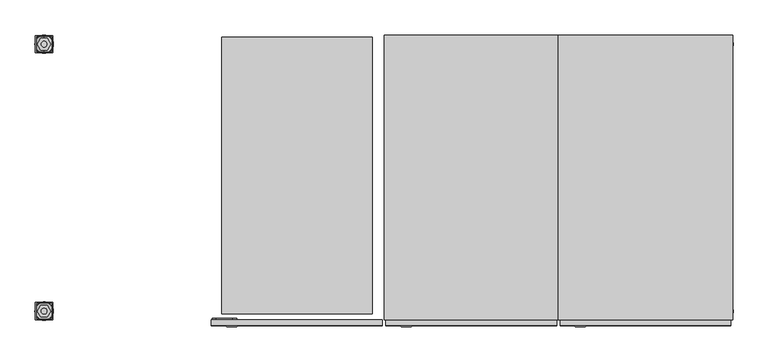
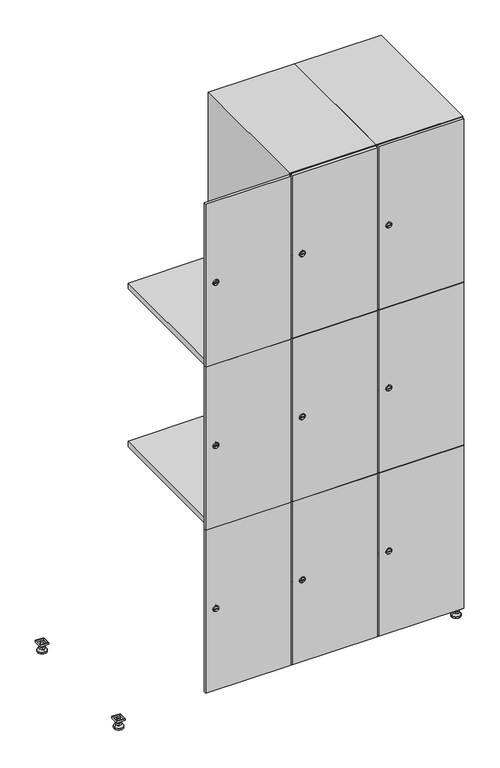
"""IFC4 building model written with IfcOpenShell, lengths in millimetres: furniture geometry."""

from ifc_helpers import new_model, si_unit, point, frame, frame_2d, origin, origin_with_axes, place, context, project, spatial, polyline, circle_curve, trimmed, segment, composite_curve, outline, extrude, faceted_brep, source, transform, mapped, element, save
from ifc_brep_helpers import plane_surface, revolved_surface, advanced_brep


def furniture_b025a3df(model_context):
    return source(origin(), model_context, "Body", "SolidModel", [
        extrude(outline(polyline([(1000.0, 245.0), (1000.0, 215.0), (970.0, 215.0), (970.0, 245.0), (1000.0, 245.0)]), holes=[polyline([(998.0, 243.0), (972.0, 243.0), (972.0, 217.0), (998.0, 217.0), (998.0, 243.0)])]), frame((0.0, 0.0, 28.5), z_axis=(0.0, 0.0, 1.0), x_axis=(1.0, 0.0, 0.0)), (0.0, 0.0, 1.0), 6.5),
        extrude(outline(polyline([(970.0, -245.0), (970.0, -215.0), (1000.0, -215.0), (1000.0, -245.0), (970.0, -245.0)]), holes=[polyline([(972.0, -243.0), (998.0, -243.0), (998.0, -217.0), (972.0, -217.0), (972.0, -243.0)])]), frame((0.0, 0.0, 28.5), z_axis=(0.0, 0.0, 1.0), x_axis=(1.0, 0.0, 0.0)), (0.0, 0.0, 1.0), 6.5),
        extrude(outline(polyline([(-170.0, 245.0), (-170.0, 215.0), (-200.0, 215.0), (-200.0, 245.0), (-170.0, 245.0)]), holes=[polyline([(-172.0, 243.0), (-198.0, 243.0), (-198.0, 217.0), (-172.0, 217.0), (-172.0, 243.0)])]), frame((0.0, 0.0, 28.5), z_axis=(0.0, 0.0, 1.0), x_axis=(1.0, 0.0, 0.0)), (0.0, 0.0, 1.0), 6.5),
        extrude(outline(polyline([(-170.0, -215.0), (-170.0, -245.0), (-200.0, -245.0), (-200.0, -215.0), (-170.0, -215.0)]), holes=[polyline([(-198.0, -243.0), (-172.0, -243.0), (-172.0, -217.0), (-198.0, -217.0), (-198.0, -243.0)])]), frame((0.0, 0.0, 28.5), z_axis=(0.0, 0.0, 1.0), x_axis=(1.0, 0.0, 0.0)), (0.0, 0.0, 1.0), 6.5),
        extrude(outline(composite_curve([segment(trimmed(circle_curve(frame_2d((-185.0, 230.0)), 5.0), [point((-180.0, 230.0))], [point((-190.0, 230.0))], False, "CARTESIAN"), True, "CONTINUOUS"), segment(trimmed(circle_curve(frame_2d((-185.0, 230.0)), 5.0), [point((-190.0, 230.0))], [point((-180.0, 230.0))], False, "CARTESIAN"), True, "CONTINUOUS")], self_intersect=False)), frame((0.0, 0.0, 19.6), z_axis=(0.0, 0.0, 1.0), x_axis=(1.0, 0.0, 0.0)), (0.0, 0.0, 1.0), 15.4),
        extrude(outline(composite_curve([segment(trimmed(circle_curve(frame_2d((-185.0, -230.0)), 5.0), [point((-180.0, -230.0))], [point((-190.0, -230.0))], False, "CARTESIAN"), True, "CONTINUOUS"), segment(trimmed(circle_curve(frame_2d((-185.0, -230.0)), 5.0), [point((-190.0, -230.0))], [point((-180.0, -230.0))], False, "CARTESIAN"), True, "CONTINUOUS")], self_intersect=False)), frame((0.0, 0.0, 19.6), z_axis=(0.0, 0.0, 1.0), x_axis=(1.0, 0.0, 0.0)), (0.0, 0.0, 1.0), 15.4),
        extrude(outline(composite_curve([segment(trimmed(circle_curve(frame_2d((985.0, 230.0)), 5.0), [point((990.0, 230.0))], [point((980.0, 230.0))], False, "CARTESIAN"), True, "CONTINUOUS"), segment(trimmed(circle_curve(frame_2d((985.0, 230.0)), 5.0), [point((980.0, 230.0))], [point((990.0, 230.0))], False, "CARTESIAN"), True, "CONTINUOUS")], self_intersect=False)), frame((0.0, 0.0, 19.6), z_axis=(0.0, 0.0, 1.0), x_axis=(1.0, 0.0, 0.0)), (0.0, 0.0, 1.0), 15.4),
        extrude(outline(polyline([(973.4529946, 230.0), (979.2264973, 240.0), (990.7735027, 240.0), (996.5470054, 230.0), (990.7735027, 220.0), (979.2264973, 220.0), (973.4529946, 230.0)])), frame((0.0, 0.0, 13.6), z_axis=(0.0, 0.0, 1.0), x_axis=(1.0, 0.0, 0.0)), (0.0, 0.0, 1.0), 6.0),
        extrude(outline(composite_curve([segment(trimmed(circle_curve(frame_2d((985.0, -230.0)), 5.0), [point((990.0, -230.0))], [point((980.0, -230.0))], False, "CARTESIAN"), True, "CONTINUOUS"), segment(trimmed(circle_curve(frame_2d((985.0, -230.0)), 5.0), [point((980.0, -230.0))], [point((990.0, -230.0))], False, "CARTESIAN"), True, "CONTINUOUS")], self_intersect=False)), frame((0.0, 0.0, 19.6), z_axis=(0.0, 0.0, 1.0), x_axis=(1.0, 0.0, 0.0)), (0.0, 0.0, 1.0), 15.4),
        extrude(outline(polyline([(973.4529946, -230.0), (979.2264973, -220.0), (990.7735027, -220.0), (996.5470054, -230.0), (990.7735027, -240.0), (979.2264973, -240.0), (973.4529946, -230.0)])), frame((0.0, 0.0, 13.6), z_axis=(0.0, 0.0, 1.0), x_axis=(1.0, 0.0, 0.0)), (0.0, 0.0, 1.0), 6.0),
        extrude(outline(composite_curve([segment(trimmed(circle_curve(frame_2d((985.0, 230.0)), 5.0), [point((990.0, 230.0))], [point((980.0, 230.0))], False, "CARTESIAN"), True, "CONTINUOUS"), segment(trimmed(circle_curve(frame_2d((985.0, 230.0)), 5.0), [point((980.0, 230.0))], [point((990.0, 230.0))], False, "CARTESIAN"), True, "CONTINUOUS")], self_intersect=False)), frame((0.0, 0.0, 12.1), z_axis=(0.0, 0.0, 1.0), x_axis=(1.0, 0.0, 0.0)), (0.0, 0.0, 1.0), 1.5),
        extrude(outline(composite_curve([segment(trimmed(circle_curve(frame_2d((985.0, -230.0)), 5.0), [point((990.0, -230.0))], [point((980.0, -230.0))], False, "CARTESIAN"), True, "CONTINUOUS"), segment(trimmed(circle_curve(frame_2d((985.0, -230.0)), 5.0), [point((980.0, -230.0))], [point((990.0, -230.0))], False, "CARTESIAN"), True, "CONTINUOUS")], self_intersect=False)), frame((0.0, 0.0, 12.1), z_axis=(0.0, 0.0, 1.0), x_axis=(1.0, 0.0, 0.0)), (0.0, 0.0, 1.0), 1.5),
        extrude(outline(polyline([(-196.5470054, 230.0), (-190.7735027, 240.0), (-179.2264973, 240.0), (-173.4529946, 230.0), (-179.2264973, 220.0), (-190.7735027, 220.0), (-196.5470054, 230.0)])), frame((0.0, 0.0, 13.6), z_axis=(0.0, 0.0, 1.0), x_axis=(1.0, 0.0, 0.0)), (0.0, 0.0, 1.0), 6.0),
        extrude(outline(polyline([(-196.5470054, -230.0), (-190.7735027, -220.0), (-179.2264973, -220.0), (-173.4529946, -230.0), (-179.2264973, -240.0), (-190.7735027, -240.0), (-196.5470054, -230.0)])), frame((0.0, 0.0, 13.6), z_axis=(0.0, 0.0, 1.0), x_axis=(1.0, 0.0, 0.0)), (0.0, 0.0, 1.0), 6.0),
        extrude(outline(composite_curve([segment(trimmed(circle_curve(frame_2d((-185.0, 230.0)), 5.0), [point((-185.0, 235.0))], [point((-185.0, 225.0))], False, "CARTESIAN"), True, "CONTINUOUS"), segment(trimmed(circle_curve(frame_2d((-185.0, 230.0)), 5.0), [point((-185.0, 225.0))], [point((-185.0, 235.0))], False, "CARTESIAN"), True, "CONTINUOUS")], self_intersect=False)), frame((0.0, 0.0, 12.1), z_axis=(0.0, 0.0, 1.0), x_axis=(1.0, 0.0, 0.0)), (0.0, 0.0, 1.0), 1.5),
        extrude(outline(composite_curve([segment(trimmed(circle_curve(frame_2d((-185.0, -230.0)), 5.0), [point((-180.0, -230.0))], [point((-190.0, -230.0))], False, "CARTESIAN"), True, "CONTINUOUS"), segment(trimmed(circle_curve(frame_2d((-185.0, -230.0)), 5.0), [point((-190.0, -230.0))], [point((-180.0, -230.0))], False, "CARTESIAN"), True, "CONTINUOUS")], self_intersect=False)), frame((0.0, 0.0, 12.1), z_axis=(0.0, 0.0, 1.0), x_axis=(1.0, 0.0, 0.0)), (0.0, 0.0, 1.0), 1.5),
        extrude(outline(composite_curve([segment(trimmed(circle_curve(frame_2d((985.0, 230.0)), 15.75), [point((1000.75, 230.0))], [point((969.25, 230.0))], False, "CARTESIAN"), True, "CONTINUOUS"), segment(trimmed(circle_curve(frame_2d((985.0, 230.0)), 15.75), [point((969.25, 230.0))], [point((1000.75, 230.0))], False, "CARTESIAN"), True, "CONTINUOUS")], self_intersect=False)), origin_with_axes(), (0.0, 0.0, 1.0), 5.1),
        extrude(outline(composite_curve([segment(trimmed(circle_curve(frame_2d((985.0, -230.0)), 15.75), [point((985.0, -214.25))], [point((985.0, -245.75))], False, "CARTESIAN"), True, "CONTINUOUS"), segment(trimmed(circle_curve(frame_2d((985.0, -230.0)), 15.75), [point((985.0, -245.75))], [point((985.0, -214.25))], False, "CARTESIAN"), True, "CONTINUOUS")], self_intersect=False)), origin_with_axes(), (0.0, 0.0, 1.0), 5.1),
        extrude(outline(composite_curve([segment(trimmed(circle_curve(frame_2d((-185.0, -230.0)), 15.75), [point((-169.25, -230.0))], [point((-200.75, -230.0))], False, "CARTESIAN"), True, "CONTINUOUS"), segment(trimmed(circle_curve(frame_2d((-185.0, -230.0)), 15.75), [point((-200.75, -230.0))], [point((-169.25, -230.0))], False, "CARTESIAN"), True, "CONTINUOUS")], self_intersect=False)), origin_with_axes(), (0.0, 0.0, 1.0), 5.1),
        extrude(outline(composite_curve([segment(trimmed(circle_curve(frame_2d((-185.0, 230.0)), 15.75), [point((-169.25, 230.0))], [point((-200.75, 230.0))], False, "CARTESIAN"), True, "CONTINUOUS"), segment(trimmed(circle_curve(frame_2d((-185.0, 230.0)), 15.75), [point((-200.75, 230.0))], [point((-169.25, 230.0))], False, "CARTESIAN"), True, "CONTINUOUS")], self_intersect=False)), origin_with_axes(), (0.0, 0.0, 1.0), 5.1),
        advanced_brep(
        [(-185.0, 239.5, 12.1), (-185.0, 220.5, 12.1), (-185.0, 214.25, 5.1), (-185.0, 245.75, 5.1)],
        [
            (0, 1, circle_curve(frame((-185.0, 230.0, 12.1), z_axis=(0.0, 0.0, -1.0), x_axis=(0.0, 1.0, 0.0)), 9.5)),
            (1, 2),
            (2, 3, circle_curve(frame((-185.0, 230.0, 5.1), z_axis=(0.0, 0.0, 1.0), x_axis=(0.0, 1.0, 0.0)), 15.75)),
            (3, 0),
            (1, 0, circle_curve(frame((-185.0, 230.0, 12.1), z_axis=(0.0, 0.0, -1.0), x_axis=(0.0, -1.0, 0.0)), 9.5)),
            (3, 2, circle_curve(frame((-185.0, 230.0, 5.1), z_axis=(0.0, 0.0, 1.0), x_axis=(0.0, -1.0, 0.0)), 15.75)),
        ],
        [
            revolved_surface(polyline([(-185.0, 220.5, 12.099999999999998), (-185.0, 214.25, 5.099999999999998)]), (-185.0, 230.0, 22.74), (0.0, 0.0, -1.0)),
            revolved_surface(polyline([(-185.0, 239.5, 12.099999999999998), (-185.0, 245.75, 5.099999999999998)]), (-185.0, 230.0, 22.74), (0.0, 0.0, -1.0)),
            plane_surface(frame((-185.0, 230.0, 5.1), z_axis=(0.0, 0.0, -1.0), x_axis=(1.0, 0.0, 0.0))),
            plane_surface(frame((-185.0, 230.0, 12.1), z_axis=(0.0, 0.0, 1.0), x_axis=(1.0, 0.0, 0.0))),
        ],
        [
            (0, [[1, 2, 3, 4]]),
            (1, [[5, -4, 6, -2]]),
            (2, [[-3, -6]]),
            (3, [[-5, -1]]),
        ],
    ),
        advanced_brep(
        [(985.0, 239.5, 12.1), (985.0, 220.5, 12.1), (985.0, 214.25, 5.1), (985.0, 245.75, 5.1)],
        [
            (0, 1, circle_curve(frame((985.0, 230.0, 12.1), z_axis=(0.0, 0.0, -1.0), x_axis=(0.0, 1.0, 0.0)), 9.5)),
            (1, 2),
            (2, 3, circle_curve(frame((985.0, 230.0, 5.1), z_axis=(0.0, 0.0, 1.0), x_axis=(0.0, 1.0, 0.0)), 15.75)),
            (3, 0),
            (1, 0, circle_curve(frame((985.0, 230.0, 12.1), z_axis=(0.0, 0.0, -1.0), x_axis=(0.0, -1.0, 0.0)), 9.5)),
            (3, 2, circle_curve(frame((985.0, 230.0, 5.1), z_axis=(0.0, 0.0, 1.0), x_axis=(0.0, -1.0, 0.0)), 15.75)),
        ],
        [
            revolved_surface(polyline([(985.0, 220.5, 12.099999999999998), (985.0, 214.25, 5.099999999999998)]), (985.0, 230.0, 22.74), (0.0, 0.0, -1.0)),
            revolved_surface(polyline([(985.0, 239.5, 12.099999999999998), (985.0, 245.75, 5.099999999999998)]), (985.0, 230.0, 22.74), (0.0, 0.0, -1.0)),
            plane_surface(frame((985.0, 230.0, 5.1), z_axis=(0.0, 0.0, -1.0), x_axis=(1.0, 0.0, 0.0))),
            plane_surface(frame((985.0, 230.0, 12.1), z_axis=(0.0, 0.0, 1.0), x_axis=(1.0, 0.0, 0.0))),
        ],
        [
            (0, [[1, 2, 3, 4]]),
            (1, [[5, -4, 6, -2]]),
            (2, [[-3, -6]]),
            (3, [[-5, -1]]),
        ],
    ),
        advanced_brep(
        [(1000.75, -230.0, 5.1), (969.25, -230.0, 5.1), (975.5, -230.0, 12.1), (994.5, -230.0, 12.1)],
        [
            (0, 1, circle_curve(frame((985.0, -230.0, 5.1), z_axis=(0.0, 0.0, 1.0), x_axis=(1.0, 0.0, 0.0)), 15.75)),
            (1, 2),
            (2, 3, circle_curve(frame((985.0, -230.0, 12.1), z_axis=(0.0, 0.0, -1.0), x_axis=(1.0, 0.0, 0.0)), 9.5)),
            (3, 0),
            (1, 0, circle_curve(frame((985.0, -230.0, 5.1), z_axis=(0.0, 0.0, 1.0), x_axis=(-1.0, 0.0, 0.0)), 15.75)),
            (3, 2, circle_curve(frame((985.0, -230.0, 12.1), z_axis=(0.0, 0.0, -1.0), x_axis=(-1.0, 0.0, 0.0)), 9.5)),
        ],
        [
            revolved_surface(polyline([(994.5, -230.0, 12.099999999999998), (1000.75, -230.0, 5.099999999999998)]), (985.0, -230.0, 22.74), (0.0, 0.0, -1.0)),
            revolved_surface(polyline([(975.5, -230.0, 12.099999999999998), (969.25, -230.0, 5.099999999999998)]), (985.0, -230.0, 22.74), (0.0, 0.0, -1.0)),
            plane_surface(frame((985.0, -230.0, 12.1), z_axis=(0.0, 0.0, 1.0), x_axis=(0.0, 1.0, 0.0))),
            plane_surface(frame((985.0, -230.0, 5.1), z_axis=(0.0, 0.0, -1.0), x_axis=(0.0, 1.0, 0.0))),
        ],
        [
            (0, [[1, 2, 3, 4]]),
            (1, [[5, -4, 6, -2]]),
            (2, [[-3, -6]]),
            (3, [[-5, -1]]),
        ],
    ),
        advanced_brep(
        [(-169.25, -230.0, 5.1), (-200.75, -230.0, 5.1), (-194.5, -230.0, 12.1), (-175.5, -230.0, 12.1)],
        [
            (0, 1, circle_curve(frame((-185.0, -230.0, 5.1), z_axis=(0.0, 0.0, 1.0), x_axis=(1.0, 0.0, 0.0)), 15.75)),
            (1, 2),
            (2, 3, circle_curve(frame((-185.0, -230.0, 12.1), z_axis=(0.0, 0.0, -1.0), x_axis=(1.0, 0.0, 0.0)), 9.5)),
            (3, 0),
            (1, 0, circle_curve(frame((-185.0, -230.0, 5.1), z_axis=(0.0, 0.0, 1.0), x_axis=(-1.0, 0.0, 0.0)), 15.75)),
            (3, 2, circle_curve(frame((-185.0, -230.0, 12.1), z_axis=(0.0, 0.0, -1.0), x_axis=(-1.0, 0.0, 0.0)), 9.5)),
        ],
        [
            revolved_surface(polyline([(-175.5, -230.0, 12.099999999999998), (-169.25, -230.0, 5.099999999999998)]), (-185.0, -230.0, 22.74), (0.0, 0.0, -1.0)),
            revolved_surface(polyline([(-194.5, -230.0, 12.099999999999998), (-200.75, -230.0, 5.099999999999998)]), (-185.0, -230.0, 22.74), (0.0, 0.0, -1.0)),
            plane_surface(frame((-185.0, -230.0, 12.1), z_axis=(0.0, 0.0, 1.0), x_axis=(0.0, 1.0, 0.0))),
            plane_surface(frame((-185.0, -230.0, 5.1), z_axis=(0.0, 0.0, -1.0), x_axis=(0.0, 1.0, 0.0))),
        ],
        [
            (0, [[1, 2, 3, 4]]),
            (1, [[5, -4, 6, -2]]),
            (2, [[-3, -6]]),
            (3, [[-5, -1]]),
        ],
    ),
        extrude(outline(composite_curve([segment(trimmed(circle_curve(frame_2d((337.0, 711.2010534)), 7.0), [point((344.0, 711.2010534))], [point((330.0, 711.2010534))], False, "CARTESIAN"), True, "CONTINUOUS"), segment(polyline([(330.0, 711.2010534), (330.0, 739.2010534)]), True, "CONTINUOUS"), segment(trimmed(circle_curve(frame_2d((337.0, 739.2010534)), 7.0), [point((330.0, 739.2010534))], [point((344.0, 739.2010534))], False, "CARTESIAN"), True, "CONTINUOUS"), segment(polyline([(344.0, 739.2010534), (344.0, 711.2010534)]), True, "CONTINUOUS")], self_intersect=False)), frame((0.0, -245.0, 0.0), z_axis=(0.0, 1.0, 0.0), x_axis=(0.0, 0.0, 1.0)), (0.0, 0.0, 1.0), 2.0),
        advanced_brep(
        [(746.5, -257.2, 337.0), (729.5, -257.2, 337.0), (733.0, -257.2, 335.75), (733.0, -257.2, 338.25), (743.0, -257.2, 338.25), (743.0, -257.2, 335.75), (748.5, -255.0, 337.0), (727.5, -255.0, 337.0), (733.0, -255.0, 338.25), (733.0, -255.0, 335.75), (743.0, -255.0, 335.75), (743.0, -255.0, 338.25)],
        [
            (0, 1, circle_curve(frame((738.0, -257.2, 337.0), z_axis=(0.0, -1.0, 0.0), x_axis=(1.0, 0.0, 0.0)), 8.5)),
            (1, 0, circle_curve(frame((738.0, -257.2, 337.0), z_axis=(0.0, -1.0, 0.0), x_axis=(-1.0, 0.0, 0.0)), 8.5)),
            (2, 3),
            (3, 4),
            (4, 5),
            (5, 2),
            (6, 7, circle_curve(frame((738.0, -255.0, 337.0), z_axis=(0.0, 1.0, 0.0), x_axis=(-1.0, 0.0, 0.0)), 10.5)),
            (7, 6, circle_curve(frame((738.0, -255.0, 337.0), z_axis=(0.0, 1.0, 0.0), x_axis=(1.0, 0.0, 0.0)), 10.5)),
            (8, 9),
            (9, 10),
            (10, 11),
            (11, 8),
            (0, 6),
            (7, 1),
            (8, 3),
            (2, 9),
            (11, 4),
            (10, 5),
        ],
        [
            plane_surface(frame((738.0, -257.2, 337.0), z_axis=(0.0, -1.0, 0.0), x_axis=(0.0, 0.0, 1.0))),
            plane_surface(frame((738.0, -255.0, 337.0), z_axis=(0.0, 1.0, 0.0), x_axis=(0.0, 0.0, 1.0))),
            revolved_surface(polyline([(746.5, -257.2, 337.0), (748.5, -255.0, 337.0)]), (738.0, -266.55, 337.0), (0.0, 1.0, 0.0)),
            revolved_surface(polyline([(729.5, -257.2, 337.0), (727.5, -255.0, 337.0)]), (738.0, -266.55, 337.0), (0.0, 1.0, 0.0)),
            plane_surface(frame((733.0, -255.0, 335.75), z_axis=(1.0, 0.0, 0.0), x_axis=(0.0, -1.0, 0.0))),
            plane_surface(frame((733.0, -255.0, 338.25), z_axis=(0.0, 0.0, -1.0), x_axis=(0.0, -1.0, 0.0))),
            plane_surface(frame((743.0, -255.0, 338.25), z_axis=(-1.0, 0.0, 0.0), x_axis=(0.0, -1.0, 0.0))),
            plane_surface(frame((743.0, -255.0, 335.75), z_axis=(0.0, 0.0, 1.0), x_axis=(0.0, -1.0, 0.0))),
        ],
        [
            (0, [[1, 2], [3, 4, 5, 6]]),
            (1, [[7, 8], [9, 10, 11, 12]]),
            (2, [[-1, 13, -8, 14]]),
            (3, [[-2, -14, -7, -13]]),
            (4, [[15, -3, 16, -9]]),
            (5, [[-15, -12, 17, -4]]),
            (6, [[-17, -11, 18, -5]]),
            (7, [[-16, -6, -18, -10]]),
        ],
    ),
        extrude(outline(composite_curve([segment(trimmed(circle_curve(frame_2d((935.0, 711.2010534)), 7.0), [point((942.0, 711.2010534))], [point((928.0, 711.2010534))], False, "CARTESIAN"), True, "CONTINUOUS"), segment(polyline([(928.0, 711.2010534), (928.0, 739.2010534)]), True, "CONTINUOUS"), segment(trimmed(circle_curve(frame_2d((935.0, 739.2010534)), 7.0), [point((928.0, 739.2010534))], [point((942.0, 739.2010534))], False, "CARTESIAN"), True, "CONTINUOUS"), segment(polyline([(942.0, 739.2010534), (942.0, 711.2010534)]), True, "CONTINUOUS")], self_intersect=False)), frame((0.0, -245.0, 0.0), z_axis=(0.0, 1.0, 0.0), x_axis=(0.0, 0.0, 1.0)), (0.0, 0.0, 1.0), 2.0),
        advanced_brep(
        [(746.5, -257.2, 935.0), (729.5, -257.2, 935.0), (733.0, -257.2, 933.75), (733.0, -257.2, 936.25), (743.0, -257.2, 936.25), (743.0, -257.2, 933.75), (748.5, -255.0, 935.0), (727.5, -255.0, 935.0), (733.0, -255.0, 936.25), (733.0, -255.0, 933.75), (743.0, -255.0, 933.75), (743.0, -255.0, 936.25)],
        [
            (0, 1, circle_curve(frame((738.0, -257.2, 935.0), z_axis=(0.0, -1.0, 0.0), x_axis=(1.0, 0.0, 0.0)), 8.5)),
            (1, 0, circle_curve(frame((738.0, -257.2, 935.0), z_axis=(0.0, -1.0, 0.0), x_axis=(-1.0, 0.0, 0.0)), 8.5)),
            (2, 3),
            (3, 4),
            (4, 5),
            (5, 2),
            (6, 7, circle_curve(frame((738.0, -255.0, 935.0), z_axis=(0.0, 1.0, 0.0), x_axis=(-1.0, 0.0, 0.0)), 10.5)),
            (7, 6, circle_curve(frame((738.0, -255.0, 935.0), z_axis=(0.0, 1.0, 0.0), x_axis=(1.0, 0.0, 0.0)), 10.5)),
            (8, 9),
            (9, 10),
            (10, 11),
            (11, 8),
            (0, 6),
            (7, 1),
            (8, 3),
            (2, 9),
            (11, 4),
            (10, 5),
        ],
        [
            plane_surface(frame((738.0, -257.2, 935.0), z_axis=(0.0, -1.0, 0.0), x_axis=(0.0, 0.0, 1.0))),
            plane_surface(frame((738.0, -255.0, 935.0), z_axis=(0.0, 1.0, 0.0), x_axis=(0.0, 0.0, 1.0))),
            revolved_surface(polyline([(746.5, -257.2, 935.0), (748.5, -255.0, 935.0)]), (738.0, -266.55, 935.0), (0.0, 1.0, 0.0)),
            revolved_surface(polyline([(729.5, -257.2, 935.0), (727.5, -255.0, 935.0)]), (738.0, -266.55, 935.0), (0.0, 1.0, 0.0)),
            plane_surface(frame((733.0, -255.0, 933.75), z_axis=(1.0, 0.0, 0.0), x_axis=(0.0, -1.0, 0.0))),
            plane_surface(frame((733.0, -255.0, 936.25), z_axis=(0.0, 0.0, -1.0), x_axis=(0.0, -1.0, 0.0))),
            plane_surface(frame((743.0, -255.0, 936.25), z_axis=(-1.0, 0.0, 0.0), x_axis=(0.0, -1.0, 0.0))),
            plane_surface(frame((743.0, -255.0, 933.75), z_axis=(0.0, 0.0, 1.0), x_axis=(0.0, -1.0, 0.0))),
        ],
        [
            (0, [[1, 2], [3, 4, 5, 6]]),
            (1, [[7, 8], [9, 10, 11, 12]]),
            (2, [[-1, 13, -8, 14]]),
            (3, [[-2, -14, -7, -13]]),
            (4, [[15, -3, 16, -9]]),
            (5, [[-15, -12, 17, -4]]),
            (6, [[-17, -11, 18, -5]]),
            (7, [[-16, -6, -18, -10]]),
        ],
    ),
        extrude(outline(composite_curve([segment(trimmed(circle_curve(frame_2d((1533.0, 711.2010534)), 7.0), [point((1540.0, 711.2010534))], [point((1526.0, 711.2010534))], False, "CARTESIAN"), True, "CONTINUOUS"), segment(polyline([(1526.0, 711.2010534), (1526.0, 739.2010534)]), True, "CONTINUOUS"), segment(trimmed(circle_curve(frame_2d((1533.0, 739.2010534)), 7.0), [point((1526.0, 739.2010534))], [point((1540.0, 739.2010534))], False, "CARTESIAN"), True, "CONTINUOUS"), segment(polyline([(1540.0, 739.2010534), (1540.0, 711.2010534)]), True, "CONTINUOUS")], self_intersect=False)), frame((0.0, -245.0, 0.0), z_axis=(0.0, 1.0, 0.0), x_axis=(0.0, 0.0, 1.0)), (0.0, 0.0, 1.0), 2.0),
        advanced_brep(
        [(746.5, -257.2, 1533.0), (729.5, -257.2, 1533.0), (733.0, -257.2, 1531.75), (733.0, -257.2, 1534.25), (743.0, -257.2, 1534.25), (743.0, -257.2, 1531.75), (748.5, -255.0, 1533.0), (727.5, -255.0, 1533.0), (733.0, -255.0, 1534.25), (733.0, -255.0, 1531.75), (743.0, -255.0, 1531.75), (743.0, -255.0, 1534.25)],
        [
            (0, 1, circle_curve(frame((738.0, -257.2, 1533.0), z_axis=(0.0, -1.0, 0.0), x_axis=(1.0, 0.0, 0.0)), 8.5)),
            (1, 0, circle_curve(frame((738.0, -257.2, 1533.0), z_axis=(0.0, -1.0, 0.0), x_axis=(-1.0, 0.0, 0.0)), 8.5)),
            (2, 3),
            (3, 4),
            (4, 5),
            (5, 2),
            (6, 7, circle_curve(frame((738.0, -255.0, 1533.0), z_axis=(0.0, 1.0, 0.0), x_axis=(-1.0, 0.0, 0.0)), 10.5)),
            (7, 6, circle_curve(frame((738.0, -255.0, 1533.0), z_axis=(0.0, 1.0, 0.0), x_axis=(1.0, 0.0, 0.0)), 10.5)),
            (8, 9),
            (9, 10),
            (10, 11),
            (11, 8),
            (0, 6),
            (7, 1),
            (8, 3),
            (2, 9),
            (11, 4),
            (10, 5),
        ],
        [
            plane_surface(frame((738.0, -257.2, 1533.0), z_axis=(0.0, -1.0, 0.0), x_axis=(0.0, 0.0, 1.0))),
            plane_surface(frame((738.0, -255.0, 1533.0), z_axis=(0.0, 1.0, 0.0), x_axis=(0.0, 0.0, 1.0))),
            revolved_surface(polyline([(746.5, -257.2, 1533.0), (748.5, -255.0, 1533.0)]), (738.0, -266.55, 1533.0), (0.0, 1.0, 0.0)),
            revolved_surface(polyline([(729.5, -257.2, 1533.0), (727.5, -255.0, 1533.0)]), (738.0, -266.55, 1533.0), (0.0, 1.0, 0.0)),
            plane_surface(frame((733.0, -255.0, 1531.75), z_axis=(1.0, 0.0, 0.0), x_axis=(0.0, -1.0, 0.0))),
            plane_surface(frame((733.0, -255.0, 1534.25), z_axis=(0.0, 0.0, -1.0), x_axis=(0.0, -1.0, 0.0))),
            plane_surface(frame((743.0, -255.0, 1534.25), z_axis=(-1.0, 0.0, 0.0), x_axis=(0.0, -1.0, 0.0))),
            plane_surface(frame((743.0, -255.0, 1531.75), z_axis=(0.0, 0.0, 1.0), x_axis=(0.0, -1.0, 0.0))),
        ],
        [
            (0, [[1, 2], [3, 4, 5, 6]]),
            (1, [[7, 8], [9, 10, 11, 12]]),
            (2, [[-1, 13, -8, 14]]),
            (3, [[-2, -14, -7, -13]]),
            (4, [[15, -3, 16, -9]]),
            (5, [[-15, -12, 17, -4]]),
            (6, [[-17, -11, 18, -5]]),
            (7, [[-16, -6, -18, -10]]),
        ],
    ),
        extrude(outline(polyline([(997.0, -245.0), (997.0, -255.0), (703.0, -255.0), (703.0, -245.0), (997.0, -245.0)])), frame((0.0, 0.0, 636.5), z_axis=(0.0, 0.0, 1.0), x_axis=(1.0, 0.0, 0.0)), (0.0, 0.0, 1.0), 597.0),
        extrude(outline(polyline([(703.0, -255.0), (703.0, -245.0), (997.0, -245.0), (997.0, -255.0), (703.0, -255.0)])), frame((0.0, 0.0, 1234.5), z_axis=(0.0, 0.0, 1.0), x_axis=(1.0, 0.0, 0.0)), (0.0, 0.0, 1.0), 597.5),
        extrude(outline(polyline([(997.0, -245.0), (997.0, -255.0), (703.0, -255.0), (703.0, -245.0), (997.0, -245.0)])), frame((0.0, 0.0, 38.0), z_axis=(0.0, 0.0, 1.0), x_axis=(1.0, 0.0, 0.0)), (0.0, 0.0, 1.0), 597.5),
        extrude(outline(polyline([(979.6, 242.0), (979.6, -235.0), (720.4, -235.0), (720.4, 242.0), (979.6, 242.0)])), frame((0.0, 0.0, 1214.7333333), z_axis=(0.0, 0.0, 1.0), x_axis=(1.0, 0.0, 0.0)), (0.0, 0.0, 1.0), 20.4),
        extrude(outline(polyline([(720.4, 242.0), (979.6, 242.0), (979.6, -235.0), (720.4, -235.0), (720.4, 242.0)])), frame((0.0, 0.0, 634.8666667), z_axis=(0.0, 0.0, 1.0), x_axis=(1.0, 0.0, 0.0)), (0.0, 0.0, 1.0), 20.4),
        faceted_brep([(1000.0, -245.0, 35.0), (1000.0, -245.0, 1835.0), (700.0, -245.0, 1835.0), (700.0, -245.0, 35.0), (979.6, -245.0, 1804.8), (979.6, -245.0, 65.2), (720.4, -245.0, 65.2), (720.4, -245.0, 1804.8), (1000.0, 245.0, 35.0), (700.0, 245.0, 35.0), (1000.0, 245.0, 1835.0), (700.0, 245.0, 1835.0), (979.6, 242.0, 1804.8), (979.6, 242.0, 65.2), (700.0, 245.0, 1804.8), (720.4, 242.0, 1804.8), (720.4, 242.0, 65.2)], [[[0, 1, 2, 3], [4, 5, 6, 7]], [[8, 0, 3, 9]], [[1, 0, 8, 10]], [[1, 10, 11, 2]], [[4, 12, 13, 5]], [[9, 3, 2, 11, 14]], [[10, 8, 9, 14, 11]], [[12, 15, 16, 13]], [[15, 7, 6, 16]], [[4, 7, 15, 12]], [[6, 5, 13, 16]]]),
        extrude(outline(composite_curve([segment(trimmed(circle_curve(frame_2d((337.0, 411.2010534)), 7.0), [point((344.0, 411.2010534))], [point((330.0, 411.2010534))], False, "CARTESIAN"), True, "CONTINUOUS"), segment(polyline([(330.0, 411.2010534), (330.0, 439.2010534)]), True, "CONTINUOUS"), segment(trimmed(circle_curve(frame_2d((337.0, 439.2010534)), 7.0), [point((330.0, 439.2010534))], [point((344.0, 439.2010534))], False, "CARTESIAN"), True, "CONTINUOUS"), segment(polyline([(344.0, 439.2010534), (344.0, 411.2010534)]), True, "CONTINUOUS")], self_intersect=False)), frame((0.0, -245.0, 0.0), z_axis=(0.0, 1.0, 0.0), x_axis=(0.0, 0.0, 1.0)), (0.0, 0.0, 1.0), 2.0),
        advanced_brep(
        [(446.5, -257.2, 337.0), (429.5, -257.2, 337.0), (433.0, -257.2, 335.75), (433.0, -257.2, 338.25), (443.0, -257.2, 338.25), (443.0, -257.2, 335.75), (448.5, -255.0, 337.0), (427.5, -255.0, 337.0), (433.0, -255.0, 338.25), (433.0, -255.0, 335.75), (443.0, -255.0, 335.75), (443.0, -255.0, 338.25)],
        [
            (0, 1, circle_curve(frame((438.0, -257.2, 337.0), z_axis=(0.0, -1.0, 0.0), x_axis=(1.0, 0.0, 0.0)), 8.5)),
            (1, 0, circle_curve(frame((438.0, -257.2, 337.0), z_axis=(0.0, -1.0, 0.0), x_axis=(-1.0, 0.0, 0.0)), 8.5)),
            (2, 3),
            (3, 4),
            (4, 5),
            (5, 2),
            (6, 7, circle_curve(frame((438.0, -255.0, 337.0), z_axis=(0.0, 1.0, 0.0), x_axis=(-1.0, 0.0, 0.0)), 10.5)),
            (7, 6, circle_curve(frame((438.0, -255.0, 337.0), z_axis=(0.0, 1.0, 0.0), x_axis=(1.0, 0.0, 0.0)), 10.5)),
            (8, 9),
            (9, 10),
            (10, 11),
            (11, 8),
            (0, 6),
            (7, 1),
            (8, 3),
            (2, 9),
            (11, 4),
            (10, 5),
        ],
        [
            plane_surface(frame((438.0, -257.2, 337.0), z_axis=(0.0, -1.0, 0.0), x_axis=(0.0, 0.0, 1.0))),
            plane_surface(frame((438.0, -255.0, 337.0), z_axis=(0.0, 1.0, 0.0), x_axis=(0.0, 0.0, 1.0))),
            revolved_surface(polyline([(446.5, -257.2, 337.0), (448.5, -255.0, 337.0)]), (438.0, -266.55, 337.0), (0.0, 1.0, 0.0)),
            revolved_surface(polyline([(429.5, -257.2, 337.0), (427.5, -255.0, 337.0)]), (438.0, -266.55, 337.0), (0.0, 1.0, 0.0)),
            plane_surface(frame((433.0, -255.0, 335.75), z_axis=(1.0, 0.0, 0.0), x_axis=(0.0, -1.0, 0.0))),
            plane_surface(frame((433.0, -255.0, 338.25), z_axis=(0.0, 0.0, -1.0), x_axis=(0.0, -1.0, 0.0))),
            plane_surface(frame((443.0, -255.0, 338.25), z_axis=(-1.0, 0.0, 0.0), x_axis=(0.0, -1.0, 0.0))),
            plane_surface(frame((443.0, -255.0, 335.75), z_axis=(0.0, 0.0, 1.0), x_axis=(0.0, -1.0, 0.0))),
        ],
        [
            (0, [[1, 2], [3, 4, 5, 6]]),
            (1, [[7, 8], [9, 10, 11, 12]]),
            (2, [[-1, 13, -8, 14]]),
            (3, [[-2, -14, -7, -13]]),
            (4, [[15, -3, 16, -9]]),
            (5, [[-15, -12, 17, -4]]),
            (6, [[-17, -11, 18, -5]]),
            (7, [[-16, -6, -18, -10]]),
        ],
    ),
        extrude(outline(composite_curve([segment(trimmed(circle_curve(frame_2d((935.0, 411.2010534)), 7.0), [point((942.0, 411.2010534))], [point((928.0, 411.2010534))], False, "CARTESIAN"), True, "CONTINUOUS"), segment(polyline([(928.0, 411.2010534), (928.0, 439.2010534)]), True, "CONTINUOUS"), segment(trimmed(circle_curve(frame_2d((935.0, 439.2010534)), 7.0), [point((928.0, 439.2010534))], [point((942.0, 439.2010534))], False, "CARTESIAN"), True, "CONTINUOUS"), segment(polyline([(942.0, 439.2010534), (942.0, 411.2010534)]), True, "CONTINUOUS")], self_intersect=False)), frame((0.0, -245.0, 0.0), z_axis=(0.0, 1.0, 0.0), x_axis=(0.0, 0.0, 1.0)), (0.0, 0.0, 1.0), 2.0),
        advanced_brep(
        [(446.5, -257.2, 935.0), (429.5, -257.2, 935.0), (433.0, -257.2, 933.75), (433.0, -257.2, 936.25), (443.0, -257.2, 936.25), (443.0, -257.2, 933.75), (448.5, -255.0, 935.0), (427.5, -255.0, 935.0), (433.0, -255.0, 936.25), (433.0, -255.0, 933.75), (443.0, -255.0, 933.75), (443.0, -255.0, 936.25)],
        [
            (0, 1, circle_curve(frame((438.0, -257.2, 935.0), z_axis=(0.0, -1.0, 0.0), x_axis=(1.0, 0.0, 0.0)), 8.5)),
            (1, 0, circle_curve(frame((438.0, -257.2, 935.0), z_axis=(0.0, -1.0, 0.0), x_axis=(-1.0, 0.0, 0.0)), 8.5)),
            (2, 3),
            (3, 4),
            (4, 5),
            (5, 2),
            (6, 7, circle_curve(frame((438.0, -255.0, 935.0), z_axis=(0.0, 1.0, 0.0), x_axis=(-1.0, 0.0, 0.0)), 10.5)),
            (7, 6, circle_curve(frame((438.0, -255.0, 935.0), z_axis=(0.0, 1.0, 0.0), x_axis=(1.0, 0.0, 0.0)), 10.5)),
            (8, 9),
            (9, 10),
            (10, 11),
            (11, 8),
            (0, 6),
            (7, 1),
            (8, 3),
            (2, 9),
            (11, 4),
            (10, 5),
        ],
        [
            plane_surface(frame((438.0, -257.2, 935.0), z_axis=(0.0, -1.0, 0.0), x_axis=(0.0, 0.0, 1.0))),
            plane_surface(frame((438.0, -255.0, 935.0), z_axis=(0.0, 1.0, 0.0), x_axis=(0.0, 0.0, 1.0))),
            revolved_surface(polyline([(446.5, -257.2, 935.0), (448.5, -255.0, 935.0)]), (438.0, -266.55, 935.0), (0.0, 1.0, 0.0)),
            revolved_surface(polyline([(429.5, -257.2, 935.0), (427.5, -255.0, 935.0)]), (438.0, -266.55, 935.0), (0.0, 1.0, 0.0)),
            plane_surface(frame((433.0, -255.0, 933.75), z_axis=(1.0, 0.0, 0.0), x_axis=(0.0, -1.0, 0.0))),
            plane_surface(frame((433.0, -255.0, 936.25), z_axis=(0.0, 0.0, -1.0), x_axis=(0.0, -1.0, 0.0))),
            plane_surface(frame((443.0, -255.0, 936.25), z_axis=(-1.0, 0.0, 0.0), x_axis=(0.0, -1.0, 0.0))),
            plane_surface(frame((443.0, -255.0, 933.75), z_axis=(0.0, 0.0, 1.0), x_axis=(0.0, -1.0, 0.0))),
        ],
        [
            (0, [[1, 2], [3, 4, 5, 6]]),
            (1, [[7, 8], [9, 10, 11, 12]]),
            (2, [[-1, 13, -8, 14]]),
            (3, [[-2, -14, -7, -13]]),
            (4, [[15, -3, 16, -9]]),
            (5, [[-15, -12, 17, -4]]),
            (6, [[-17, -11, 18, -5]]),
            (7, [[-16, -6, -18, -10]]),
        ],
    ),
        extrude(outline(composite_curve([segment(trimmed(circle_curve(frame_2d((1533.0, 411.2010534)), 7.0), [point((1540.0, 411.2010534))], [point((1526.0, 411.2010534))], False, "CARTESIAN"), True, "CONTINUOUS"), segment(polyline([(1526.0, 411.2010534), (1526.0, 439.2010534)]), True, "CONTINUOUS"), segment(trimmed(circle_curve(frame_2d((1533.0, 439.2010534)), 7.0), [point((1526.0, 439.2010534))], [point((1540.0, 439.2010534))], False, "CARTESIAN"), True, "CONTINUOUS"), segment(polyline([(1540.0, 439.2010534), (1540.0, 411.2010534)]), True, "CONTINUOUS")], self_intersect=False)), frame((0.0, -245.0, 0.0), z_axis=(0.0, 1.0, 0.0), x_axis=(0.0, 0.0, 1.0)), (0.0, 0.0, 1.0), 2.0),
        advanced_brep(
        [(446.5, -257.2, 1533.0), (429.5, -257.2, 1533.0), (433.0, -257.2, 1531.75), (433.0, -257.2, 1534.25), (443.0, -257.2, 1534.25), (443.0, -257.2, 1531.75), (448.5, -255.0, 1533.0), (427.5, -255.0, 1533.0), (433.0, -255.0, 1534.25), (433.0, -255.0, 1531.75), (443.0, -255.0, 1531.75), (443.0, -255.0, 1534.25)],
        [
            (0, 1, circle_curve(frame((438.0, -257.2, 1533.0), z_axis=(0.0, -1.0, 0.0), x_axis=(1.0, 0.0, 0.0)), 8.5)),
            (1, 0, circle_curve(frame((438.0, -257.2, 1533.0), z_axis=(0.0, -1.0, 0.0), x_axis=(-1.0, 0.0, 0.0)), 8.5)),
            (2, 3),
            (3, 4),
            (4, 5),
            (5, 2),
            (6, 7, circle_curve(frame((438.0, -255.0, 1533.0), z_axis=(0.0, 1.0, 0.0), x_axis=(-1.0, 0.0, 0.0)), 10.5)),
            (7, 6, circle_curve(frame((438.0, -255.0, 1533.0), z_axis=(0.0, 1.0, 0.0), x_axis=(1.0, 0.0, 0.0)), 10.5)),
            (8, 9),
            (9, 10),
            (10, 11),
            (11, 8),
            (0, 6),
            (7, 1),
            (8, 3),
            (2, 9),
            (11, 4),
            (10, 5),
        ],
        [
            plane_surface(frame((438.0, -257.2, 1533.0), z_axis=(0.0, -1.0, 0.0), x_axis=(0.0, 0.0, 1.0))),
            plane_surface(frame((438.0, -255.0, 1533.0), z_axis=(0.0, 1.0, 0.0), x_axis=(0.0, 0.0, 1.0))),
            revolved_surface(polyline([(446.5, -257.2, 1533.0), (448.5, -255.0, 1533.0)]), (438.0, -266.55, 1533.0), (0.0, 1.0, 0.0)),
            revolved_surface(polyline([(429.5, -257.2, 1533.0), (427.5, -255.0, 1533.0)]), (438.0, -266.55, 1533.0), (0.0, 1.0, 0.0)),
            plane_surface(frame((433.0, -255.0, 1531.75), z_axis=(1.0, 0.0, 0.0), x_axis=(0.0, -1.0, 0.0))),
            plane_surface(frame((433.0, -255.0, 1534.25), z_axis=(0.0, 0.0, -1.0), x_axis=(0.0, -1.0, 0.0))),
            plane_surface(frame((443.0, -255.0, 1534.25), z_axis=(-1.0, 0.0, 0.0), x_axis=(0.0, -1.0, 0.0))),
            plane_surface(frame((443.0, -255.0, 1531.75), z_axis=(0.0, 0.0, 1.0), x_axis=(0.0, -1.0, 0.0))),
        ],
        [
            (0, [[1, 2], [3, 4, 5, 6]]),
            (1, [[7, 8], [9, 10, 11, 12]]),
            (2, [[-1, 13, -8, 14]]),
            (3, [[-2, -14, -7, -13]]),
            (4, [[15, -3, 16, -9]]),
            (5, [[-15, -12, 17, -4]]),
            (6, [[-17, -11, 18, -5]]),
            (7, [[-16, -6, -18, -10]]),
        ],
    ),
        extrude(outline(polyline([(697.0, -245.0), (697.0, -255.0), (403.0, -255.0), (403.0, -245.0), (697.0, -245.0)])), frame((0.0, 0.0, 636.5), z_axis=(0.0, 0.0, 1.0), x_axis=(1.0, 0.0, 0.0)), (0.0, 0.0, 1.0), 597.0),
        extrude(outline(polyline([(403.0, -255.0), (403.0, -245.0), (697.0, -245.0), (697.0, -255.0), (403.0, -255.0)])), frame((0.0, 0.0, 1234.5), z_axis=(0.0, 0.0, 1.0), x_axis=(1.0, 0.0, 0.0)), (0.0, 0.0, 1.0), 597.5),
        extrude(outline(polyline([(697.0, -245.0), (697.0, -255.0), (403.0, -255.0), (403.0, -245.0), (697.0, -245.0)])), frame((0.0, 0.0, 38.0), z_axis=(0.0, 0.0, 1.0), x_axis=(1.0, 0.0, 0.0)), (0.0, 0.0, 1.0), 597.5),
        extrude(outline(polyline([(679.6, 242.0), (679.6, -235.0), (420.4, -235.0), (420.4, 242.0), (679.6, 242.0)])), frame((0.0, 0.0, 1214.7333333), z_axis=(0.0, 0.0, 1.0), x_axis=(1.0, 0.0, 0.0)), (0.0, 0.0, 1.0), 20.4),
        extrude(outline(polyline([(420.4, 242.0), (679.6, 242.0), (679.6, -235.0), (420.4, -235.0), (420.4, 242.0)])), frame((0.0, 0.0, 634.8666667), z_axis=(0.0, 0.0, 1.0), x_axis=(1.0, 0.0, 0.0)), (0.0, 0.0, 1.0), 20.4),
        faceted_brep([(700.0, -245.0, 35.0), (700.0, -245.0, 1835.0), (400.0, -245.0, 1835.0), (400.0, -245.0, 35.0), (679.6, -245.0, 1804.8), (679.6, -245.0, 65.2), (420.4, -245.0, 65.2), (420.4, -245.0, 1804.8), (700.0, 245.0, 35.0), (400.0, 245.0, 35.0), (700.0, 245.0, 1835.0), (400.0, 245.0, 1835.0), (679.6, 242.0, 1804.8), (679.6, 242.0, 65.2), (400.0, 245.0, 1804.8), (420.4, 242.0, 1804.8), (420.4, 242.0, 65.2)], [[[0, 1, 2, 3], [4, 5, 6, 7]], [[8, 0, 3, 9]], [[1, 0, 8, 10]], [[1, 10, 11, 2]], [[4, 12, 13, 5]], [[9, 3, 2, 11, 14]], [[10, 8, 9, 14, 11]], [[12, 15, 16, 13]], [[15, 7, 6, 16]], [[4, 7, 15, 12]], [[6, 5, 13, 16]]]),
        extrude(outline(composite_curve([segment(trimmed(circle_curve(frame_2d((337.0, 111.2010534)), 7.0), [point((344.0, 111.2010534))], [point((330.0, 111.2010534))], False, "CARTESIAN"), True, "CONTINUOUS"), segment(polyline([(330.0, 111.2010534), (330.0, 139.2010534)]), True, "CONTINUOUS"), segment(trimmed(circle_curve(frame_2d((337.0, 139.2010534)), 7.0), [point((330.0, 139.2010534))], [point((344.0, 139.2010534))], False, "CARTESIAN"), True, "CONTINUOUS"), segment(polyline([(344.0, 139.2010534), (344.0, 111.2010534)]), True, "CONTINUOUS")], self_intersect=False)), frame((0.0, -245.0, 0.0), z_axis=(0.0, 1.0, 0.0), x_axis=(0.0, 0.0, 1.0)), (0.0, 0.0, 1.0), 2.0),
        advanced_brep(
        [(146.5, -257.2, 337.0), (129.5, -257.2, 337.0), (133.0, -257.2, 335.75), (133.0, -257.2, 338.25), (143.0, -257.2, 338.25), (143.0, -257.2, 335.75), (148.5, -255.0, 337.0), (127.5, -255.0, 337.0), (133.0, -255.0, 338.25), (133.0, -255.0, 335.75), (143.0, -255.0, 335.75), (143.0, -255.0, 338.25)],
        [
            (0, 1, circle_curve(frame((138.0, -257.2, 337.0), z_axis=(0.0, -1.0, 0.0), x_axis=(1.0, 0.0, 0.0)), 8.5)),
            (1, 0, circle_curve(frame((138.0, -257.2, 337.0), z_axis=(0.0, -1.0, 0.0), x_axis=(-1.0, 0.0, 0.0)), 8.5)),
            (2, 3),
            (3, 4),
            (4, 5),
            (5, 2),
            (6, 7, circle_curve(frame((138.0, -255.0, 337.0), z_axis=(0.0, 1.0, 0.0), x_axis=(-1.0, 0.0, 0.0)), 10.5)),
            (7, 6, circle_curve(frame((138.0, -255.0, 337.0), z_axis=(0.0, 1.0, 0.0), x_axis=(1.0, 0.0, 0.0)), 10.5)),
            (8, 9),
            (9, 10),
            (10, 11),
            (11, 8),
            (0, 6),
            (7, 1),
            (8, 3),
            (2, 9),
            (11, 4),
            (10, 5),
        ],
        [
            plane_surface(frame((138.0, -257.2, 337.0), z_axis=(0.0, -1.0, 0.0), x_axis=(0.0, 0.0, 1.0))),
            plane_surface(frame((138.0, -255.0, 337.0), z_axis=(0.0, 1.0, 0.0), x_axis=(0.0, 0.0, 1.0))),
            revolved_surface(polyline([(146.5, -257.2, 337.0), (148.5, -255.0, 337.0)]), (138.0, -266.55, 337.0), (0.0, 1.0, 0.0)),
            revolved_surface(polyline([(129.5, -257.2, 337.0), (127.5, -255.0, 337.0)]), (138.0, -266.55, 337.0), (0.0, 1.0, 0.0)),
            plane_surface(frame((133.0, -255.0, 335.75), z_axis=(1.0, 0.0, 0.0), x_axis=(0.0, -1.0, 0.0))),
            plane_surface(frame((133.0, -255.0, 338.25), z_axis=(0.0, 0.0, -1.0), x_axis=(0.0, -1.0, 0.0))),
            plane_surface(frame((143.0, -255.0, 338.25), z_axis=(-1.0, 0.0, 0.0), x_axis=(0.0, -1.0, 0.0))),
            plane_surface(frame((143.0, -255.0, 335.75), z_axis=(0.0, 0.0, 1.0), x_axis=(0.0, -1.0, 0.0))),
        ],
        [
            (0, [[1, 2], [3, 4, 5, 6]]),
            (1, [[7, 8], [9, 10, 11, 12]]),
            (2, [[-1, 13, -8, 14]]),
            (3, [[-2, -14, -7, -13]]),
            (4, [[15, -3, 16, -9]]),
            (5, [[-15, -12, 17, -4]]),
            (6, [[-17, -11, 18, -5]]),
            (7, [[-16, -6, -18, -10]]),
        ],
    ),
        extrude(outline(composite_curve([segment(trimmed(circle_curve(frame_2d((935.0, 111.2010534)), 7.0), [point((942.0, 111.2010534))], [point((928.0, 111.2010534))], False, "CARTESIAN"), True, "CONTINUOUS"), segment(polyline([(928.0, 111.2010534), (928.0, 139.2010534)]), True, "CONTINUOUS"), segment(trimmed(circle_curve(frame_2d((935.0, 139.2010534)), 7.0), [point((928.0, 139.2010534))], [point((942.0, 139.2010534))], False, "CARTESIAN"), True, "CONTINUOUS"), segment(polyline([(942.0, 139.2010534), (942.0, 111.2010534)]), True, "CONTINUOUS")], self_intersect=False)), frame((0.0, -245.0, 0.0), z_axis=(0.0, 1.0, 0.0), x_axis=(0.0, 0.0, 1.0)), (0.0, 0.0, 1.0), 2.0),
        advanced_brep(
        [(146.5, -257.2, 935.0), (129.5, -257.2, 935.0), (133.0, -257.2, 933.75), (133.0, -257.2, 936.25), (143.0, -257.2, 936.25), (143.0, -257.2, 933.75), (148.5, -255.0, 935.0), (127.5, -255.0, 935.0), (133.0, -255.0, 936.25), (133.0, -255.0, 933.75), (143.0, -255.0, 933.75), (143.0, -255.0, 936.25)],
        [
            (0, 1, circle_curve(frame((138.0, -257.2, 935.0), z_axis=(0.0, -1.0, 0.0), x_axis=(1.0, 0.0, 0.0)), 8.5)),
            (1, 0, circle_curve(frame((138.0, -257.2, 935.0), z_axis=(0.0, -1.0, 0.0), x_axis=(-1.0, 0.0, 0.0)), 8.5)),
            (2, 3),
            (3, 4),
            (4, 5),
            (5, 2),
            (6, 7, circle_curve(frame((138.0, -255.0, 935.0), z_axis=(0.0, 1.0, 0.0), x_axis=(-1.0, 0.0, 0.0)), 10.5)),
            (7, 6, circle_curve(frame((138.0, -255.0, 935.0), z_axis=(0.0, 1.0, 0.0), x_axis=(1.0, 0.0, 0.0)), 10.5)),
            (8, 9),
            (9, 10),
            (10, 11),
            (11, 8),
            (0, 6),
            (7, 1),
            (8, 3),
            (2, 9),
            (11, 4),
            (10, 5),
        ],
        [
            plane_surface(frame((138.0, -257.2, 935.0), z_axis=(0.0, -1.0, 0.0), x_axis=(0.0, 0.0, 1.0))),
            plane_surface(frame((138.0, -255.0, 935.0), z_axis=(0.0, 1.0, 0.0), x_axis=(0.0, 0.0, 1.0))),
            revolved_surface(polyline([(146.5, -257.2, 935.0), (148.5, -255.0, 935.0)]), (138.0, -266.55, 935.0), (0.0, 1.0, 0.0)),
            revolved_surface(polyline([(129.5, -257.2, 935.0), (127.5, -255.0, 935.0)]), (138.0, -266.55, 935.0), (0.0, 1.0, 0.0)),
            plane_surface(frame((133.0, -255.0, 933.75), z_axis=(1.0, 0.0, 0.0), x_axis=(0.0, -1.0, 0.0))),
            plane_surface(frame((133.0, -255.0, 936.25), z_axis=(0.0, 0.0, -1.0), x_axis=(0.0, -1.0, 0.0))),
            plane_surface(frame((143.0, -255.0, 936.25), z_axis=(-1.0, 0.0, 0.0), x_axis=(0.0, -1.0, 0.0))),
            plane_surface(frame((143.0, -255.0, 933.75), z_axis=(0.0, 0.0, 1.0), x_axis=(0.0, -1.0, 0.0))),
        ],
        [
            (0, [[1, 2], [3, 4, 5, 6]]),
            (1, [[7, 8], [9, 10, 11, 12]]),
            (2, [[-1, 13, -8, 14]]),
            (3, [[-2, -14, -7, -13]]),
            (4, [[15, -3, 16, -9]]),
            (5, [[-15, -12, 17, -4]]),
            (6, [[-17, -11, 18, -5]]),
            (7, [[-16, -6, -18, -10]]),
        ],
    ),
        extrude(outline(composite_curve([segment(trimmed(circle_curve(frame_2d((1533.0, 111.2010534)), 7.0), [point((1540.0, 111.2010534))], [point((1526.0, 111.2010534))], False, "CARTESIAN"), True, "CONTINUOUS"), segment(polyline([(1526.0, 111.2010534), (1526.0, 139.2010534)]), True, "CONTINUOUS"), segment(trimmed(circle_curve(frame_2d((1533.0, 139.2010534)), 7.0), [point((1526.0, 139.2010534))], [point((1540.0, 139.2010534))], False, "CARTESIAN"), True, "CONTINUOUS"), segment(polyline([(1540.0, 139.2010534), (1540.0, 111.2010534)]), True, "CONTINUOUS")], self_intersect=False)), frame((0.0, -245.0, 0.0), z_axis=(0.0, 1.0, 0.0), x_axis=(0.0, 0.0, 1.0)), (0.0, 0.0, 1.0), 2.0),
        advanced_brep(
        [(146.5, -257.2, 1533.0), (129.5, -257.2, 1533.0), (133.0, -257.2, 1531.75), (133.0, -257.2, 1534.25), (143.0, -257.2, 1534.25), (143.0, -257.2, 1531.75), (148.5, -255.0, 1533.0), (127.5, -255.0, 1533.0), (133.0, -255.0, 1534.25), (133.0, -255.0, 1531.75), (143.0, -255.0, 1531.75), (143.0, -255.0, 1534.25)],
        [
            (0, 1, circle_curve(frame((138.0, -257.2, 1533.0), z_axis=(0.0, -1.0, 0.0), x_axis=(1.0, 0.0, 0.0)), 8.5)),
            (1, 0, circle_curve(frame((138.0, -257.2, 1533.0), z_axis=(0.0, -1.0, 0.0), x_axis=(-1.0, 0.0, 0.0)), 8.5)),
            (2, 3),
            (3, 4),
            (4, 5),
            (5, 2),
            (6, 7, circle_curve(frame((138.0, -255.0, 1533.0), z_axis=(0.0, 1.0, 0.0), x_axis=(-1.0, 0.0, 0.0)), 10.5)),
            (7, 6, circle_curve(frame((138.0, -255.0, 1533.0), z_axis=(0.0, 1.0, 0.0), x_axis=(1.0, 0.0, 0.0)), 10.5)),
            (8, 9),
            (9, 10),
            (10, 11),
            (11, 8),
            (0, 6),
            (7, 1),
            (8, 3),
            (2, 9),
            (11, 4),
            (10, 5),
        ],
        [
            plane_surface(frame((138.0, -257.2, 1533.0), z_axis=(0.0, -1.0, 0.0), x_axis=(0.0, 0.0, 1.0))),
            plane_surface(frame((138.0, -255.0, 1533.0), z_axis=(0.0, 1.0, 0.0), x_axis=(0.0, 0.0, 1.0))),
            revolved_surface(polyline([(146.5, -257.2, 1533.0), (148.5, -255.0, 1533.0)]), (138.0, -266.55, 1533.0), (0.0, 1.0, 0.0)),
            revolved_surface(polyline([(129.5, -257.2, 1533.0), (127.5, -255.0, 1533.0)]), (138.0, -266.55, 1533.0), (0.0, 1.0, 0.0)),
            plane_surface(frame((133.0, -255.0, 1531.75), z_axis=(1.0, 0.0, 0.0), x_axis=(0.0, -1.0, 0.0))),
            plane_surface(frame((133.0, -255.0, 1534.25), z_axis=(0.0, 0.0, -1.0), x_axis=(0.0, -1.0, 0.0))),
            plane_surface(frame((143.0, -255.0, 1534.25), z_axis=(-1.0, 0.0, 0.0), x_axis=(0.0, -1.0, 0.0))),
            plane_surface(frame((143.0, -255.0, 1531.75), z_axis=(0.0, 0.0, 1.0), x_axis=(0.0, -1.0, 0.0))),
        ],
        [
            (0, [[1, 2], [3, 4, 5, 6]]),
            (1, [[7, 8], [9, 10, 11, 12]]),
            (2, [[-1, 13, -8, 14]]),
            (3, [[-2, -14, -7, -13]]),
            (4, [[15, -3, 16, -9]]),
            (5, [[-15, -12, 17, -4]]),
            (6, [[-17, -11, 18, -5]]),
            (7, [[-16, -6, -18, -10]]),
        ],
    ),
        extrude(outline(polyline([(397.0, -245.0), (397.0, -255.0), (103.0, -255.0), (103.0, -245.0), (397.0, -245.0)])), frame((0.0, 0.0, 636.5), z_axis=(0.0, 0.0, 1.0), x_axis=(1.0, 0.0, 0.0)), (0.0, 0.0, 1.0), 597.0),
        extrude(outline(polyline([(103.0, -255.0), (103.0, -245.0), (397.0, -245.0), (397.0, -255.0), (103.0, -255.0)])), frame((0.0, 0.0, 1234.5), z_axis=(0.0, 0.0, 1.0), x_axis=(1.0, 0.0, 0.0)), (0.0, 0.0, 1.0), 597.5),
        extrude(outline(polyline([(397.0, -245.0), (397.0, -255.0), (103.0, -255.0), (103.0, -245.0), (397.0, -245.0)])), frame((0.0, 0.0, 38.0), z_axis=(0.0, 0.0, 1.0), x_axis=(1.0, 0.0, 0.0)), (0.0, 0.0, 1.0), 597.5),
        extrude(outline(polyline([(379.6, 242.0), (379.6, -235.0), (120.4, -235.0), (120.4, 242.0), (379.6, 242.0)])), frame((0.0, 0.0, 1214.7333333), z_axis=(0.0, 0.0, 1.0), x_axis=(1.0, 0.0, 0.0)), (0.0, 0.0, 1.0), 20.4),
        extrude(outline(polyline([(120.4, 242.0), (379.6, 242.0), (379.6, -235.0), (120.4, -235.0), (120.4, 242.0)])), frame((0.0, 0.0, 634.8666667), z_axis=(0.0, 0.0, 1.0), x_axis=(1.0, 0.0, 0.0)), (0.0, 0.0, 1.0), 20.4),
    ])


if __name__ == "__main__":
    model = new_model("IFC4")
    model_context = context("Model", 3, world=origin())
    ifc_project = project(units=[si_unit("LENGTHUNIT", "METRE", prefix="MILLI")], contexts=[model_context])
    site = spatial("IfcSite", under=ifc_project)
    building = spatial("IfcBuilding", under=site)
    placement = place(None, origin())
    furniture_shape = furniture_b025a3df(model_context)
    element("IfcFurniture", 1, at=placement, inside=building, context=model_context, shape_type="MappedRepresentation", body=[
        mapped(furniture_shape, transform((0.0, 0.0, 0.0), x_axis=(1.0, 0.0, 0.0), y_axis=(0.0, 1.0, 0.0), z_axis=(0.0, 0.0, 1.0))),
    ])
    save(model, "model.ifc")
